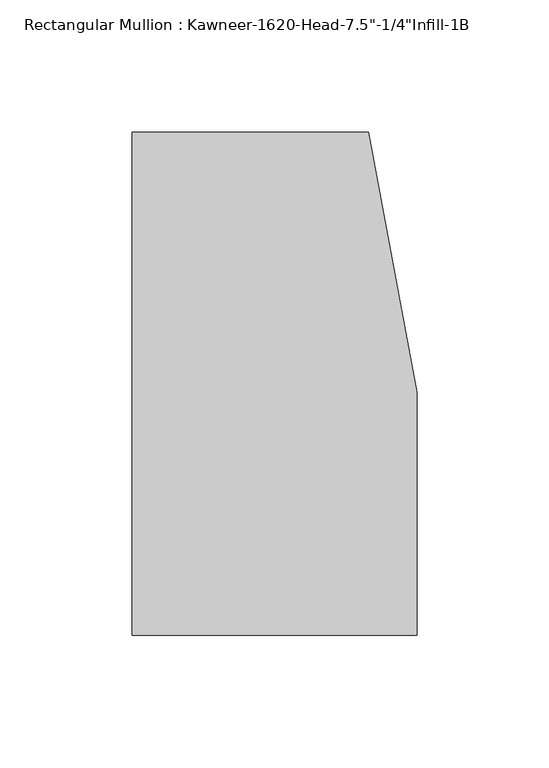
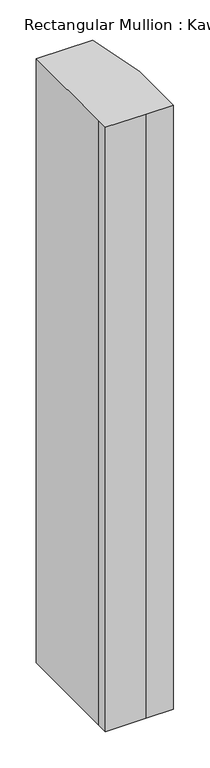
"""IFC4 building model written with IfcOpenShell, lengths in millimetres: member geometry."""

from ifc_helpers import new_model, si_unit, frame, origin, place, context, project, spatial, polyline, outline, extrude, source, transform, mapped, element, save


def member_08b09ed9(model_context):
    return source(origin(), model_context, "Body", "SweptSolid", [
        extrude(outline(polyline([(-107.95, -10.3845466), (-107.95, 161.925), (-18.3538271, 161.925), (0.0, 63.5), (0.0, -28.575), (-44.1519366, -28.575), (-107.95, -28.575), (-107.95, -10.3845466)])), frame((0.0, 0.0, -1016.0), z_axis=(0.0, 0.0, 1.0), x_axis=(1.0, 0.0, 0.0)), (0.0, 0.0, 1.0), 1016.0),
    ])


if __name__ == "__main__":
    model = new_model("IFC4")
    model_context = context("Model", 3, world=origin())
    ifc_project = project(units=[si_unit("LENGTHUNIT", "METRE", prefix="MILLI")], contexts=[model_context])
    site = spatial("IfcSite", under=ifc_project)
    building = spatial("IfcBuilding", under=site)
    placement = place(None, origin())
    member_shape = member_08b09ed9(model_context)
    element("IfcMember", 1, ObjectType="Rectangular Mullion : Kawneer-1620-Head-7.5\"-1/4\"Infill-1B", at=placement, inside=building, context=model_context, shape_type="MappedRepresentation", body=[
        mapped(member_shape, transform((0.0, 0.0, 0.0), x_axis=(1.0, 0.0, 0.0), y_axis=(0.0, 1.0, 0.0), z_axis=(0.0, 0.0, 1.0))),
    ])
    save(model, "model.ifc")
